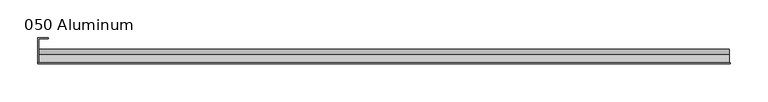
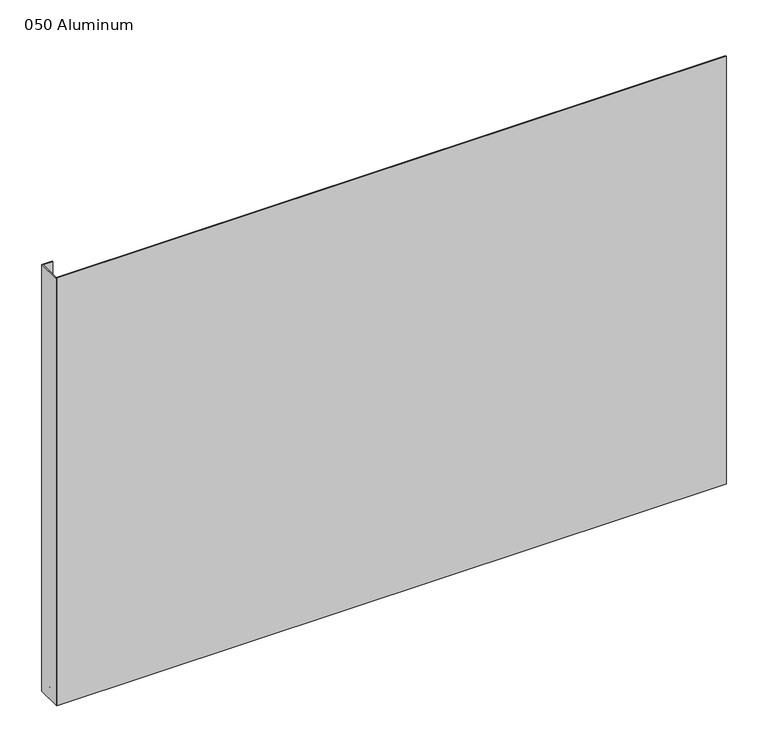
"""IFC4 building model written with IfcOpenShell, lengths in millimetres: plate geometry, 050 Aluminum."""

from ifc_helpers import new_model, si_unit, point, frame, frame_2d, origin, origin_with_axes, place, context, project, spatial, polyline, circle_curve, trimmed, segment, composite_curve, outline, extrude, source, transform, mapped, element, save


def plate_050_aluminum_88a66d85(model_context):
    return source(origin(), model_context, "Body", "SweptSolid", [
        extrude(outline(polyline([(-459.1050001, -2.5660257), (-459.1050001, -34.7980001), (-460.375, -34.7980001), (-460.375, -1.2699999), (-446.2144995, -1.2699999), (-446.2144995, -2.5660257), (-459.1050001, -2.5660257)])), origin_with_axes(), (0.0, 0.0, 1.0), 621.03),
        extrude(outline(composite_curve([segment(polyline([(-16.6765477, 13.1458337), (-16.6765477, 2.786437), (-17.9464915, 2.786437), (-17.9464915, 13.1323356)]), True, "CONTINUOUS"), segment(trimmed(circle_curve(frame_2d((-19.8514743, 13.124237)), 1.905), [point((-17.9464915, 13.1323356))], [point((-21.7564743, 13.124237))], True, "CARTESIAN"), True, "CONTINUOUS"), segment(polyline([(-21.7564743, 13.124237), (-21.7564743, 0.0), (-34.7980002, 0.0), (-34.7980002, 1.2693678), (-23.0264743, 1.2693678), (-23.0264743, 13.124237)]), True, "CONTINUOUS"), segment(trimmed(circle_curve(frame_2d((-19.8514743, 13.124237)), 3.175), [point((-23.0264743, 13.124237))], [point((-16.6765477, 13.1458337))], False, "CARTESIAN"), True, "CONTINUOUS")], self_intersect=False)), frame((-459.1050001, 0.0, 0.0), z_axis=(1.0, 0.0, 0.0), x_axis=(0.0, 1.0, 0.0)), (0.0, 0.0, 1.0), 918.2100002),
        extrude(outline(polyline([(-460.3750001, -36.068), (-460.3750001, -34.7980001), (460.3750001, -34.7980001), (460.3750001, -36.068), (-460.3750001, -36.068)])), origin_with_axes(), (0.0, 0.0, 1.0), 622.3),
    ])


if __name__ == "__main__":
    model = new_model("IFC4")
    model_context = context("Model", 3, world=origin())
    ifc_project = project(units=[si_unit("LENGTHUNIT", "METRE", prefix="MILLI")], contexts=[model_context])
    site = spatial("IfcSite", under=ifc_project)
    building = spatial("IfcBuilding", under=site)
    placement = place(None, origin())
    plate_050_aluminum_shape = plate_050_aluminum_88a66d85(model_context)
    element("IfcPlate", 1, ObjectType="050 Aluminum", at=placement, inside=building, context=model_context, shape_type="MappedRepresentation", body=[
        mapped(plate_050_aluminum_shape, transform((0.0, 0.0, 0.0), x_axis=(1.0, 0.0, 0.0), y_axis=(0.0, 1.0, 0.0), z_axis=(0.0, 0.0, 1.0))),
    ])
    save(model, "model.ifc")
